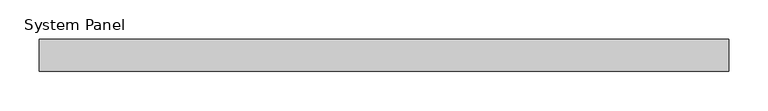
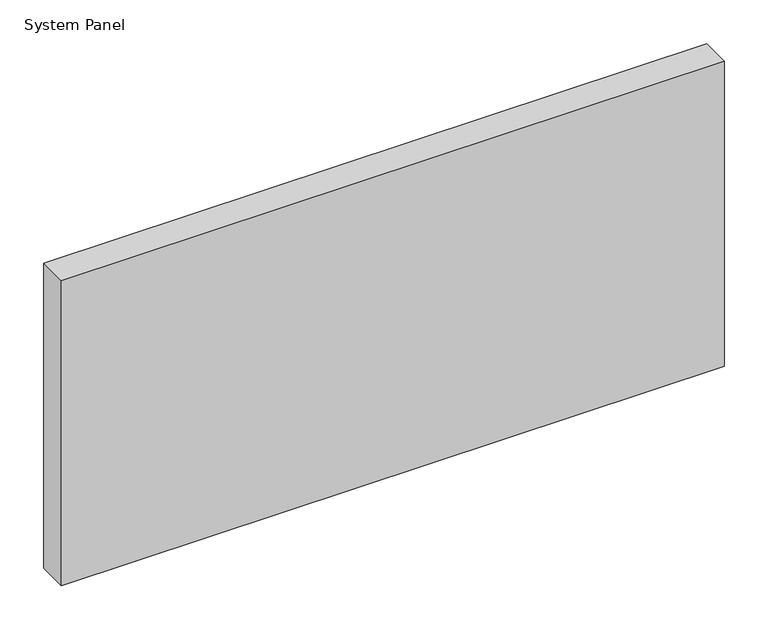
"""IFC4 building model written with IfcOpenShell, lengths in millimetres: plate geometry, System Panel."""

from ifc_helpers import new_model, si_unit, origin, origin_with_axes, place, context, project, spatial, polyline, outline, extrude, source, transform, mapped, element, save


def system_panel_fbe7cbd7(model_context):
    return source(origin(), model_context, "Body", "SweptSolid", [
        extrude(outline(polyline([(436.6666667, 14.0), (-436.6666667, 14.0), (-436.6666667, 54.0), (436.6666667, 54.0), (436.6666667, 14.0)])), origin_with_axes(), (0.0, 0.0, 1.0), 425.0),
    ])


if __name__ == "__main__":
    model = new_model("IFC4")
    model_context = context("Model", 3, world=origin())
    ifc_project = project(units=[si_unit("LENGTHUNIT", "METRE", prefix="MILLI")], contexts=[model_context])
    site = spatial("IfcSite", under=ifc_project)
    building = spatial("IfcBuilding", under=site)
    placement = place(None, origin())
    system_panel_shape = system_panel_fbe7cbd7(model_context)
    element("IfcPlate", 1, ObjectType="System Panel", at=placement, inside=building, context=model_context, shape_type="MappedRepresentation", body=[
        mapped(system_panel_shape, transform((0.0, 0.0, 0.0), x_axis=(1.0, 0.0, 0.0), y_axis=(0.0, 1.0, 0.0), z_axis=(0.0, 0.0, 1.0))),
    ])
    save(model, "model.ifc")
